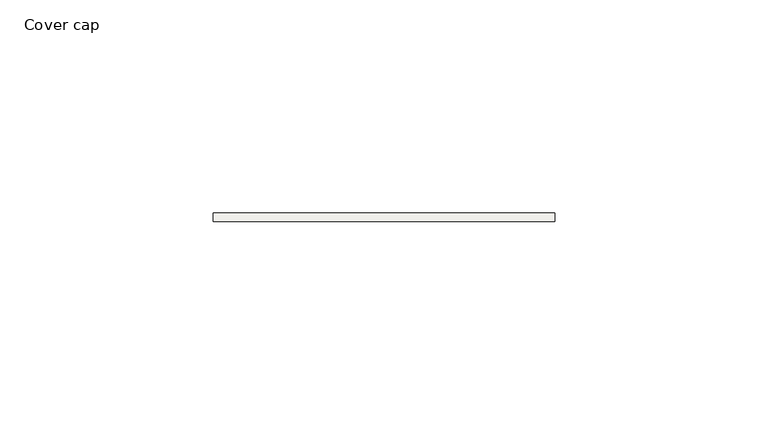
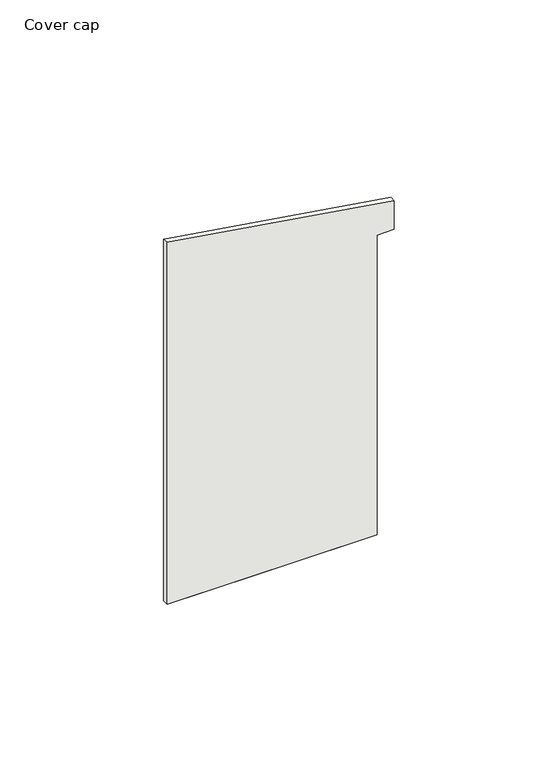
"""IFC4 building model written with IfcOpenShell, lengths in millimetres: covering geometry, Cover cap."""

from ifc_helpers import new_model, si_unit, frame, origin, place, context, project, spatial, polyline, outline, extrude, source, transform, mapped, element, save


def cover_cap_58d32bee(model_context):
    return source(origin(), model_context, "Body", "SweptSolid", [
        extrude(outline(polyline([(132.7051053, -7.0), (-2.0, -7.0), (-2.0, 67.0), (109.5, 67.0), (109.5, 73.0), (120.2855349, 73.0), (132.7051053, -7.0)])), frame((0.0, -2.0, 0.0), z_axis=(0.0, 1.0, 0.0), x_axis=(0.0, 0.0, 1.0)), (0.0, 0.0, 1.0), 2.0),
        extrude(outline(polyline([(67.0, 0.0), (67.0, -2.0), (0.0, -2.0), (0.0, 0.0), (67.0, 0.0)])), frame((0.0, 0.0, -2.0), z_axis=(0.0, 0.0, 1.0), x_axis=(1.0, 0.0, 0.0)), (0.0, 0.0, 1.0), 111.5),
    ])


if __name__ == "__main__":
    model = new_model("IFC4")
    model_context = context("Model", 3, world=origin())
    ifc_project = project(units=[si_unit("LENGTHUNIT", "METRE", prefix="MILLI")], contexts=[model_context])
    site = spatial("IfcSite", under=ifc_project)
    building = spatial("IfcBuilding", under=site)
    placement = place(None, origin())
    cover_cap_shape = cover_cap_58d32bee(model_context)
    element("IfcCovering", 1, ObjectType="Cover cap", at=placement, inside=building, context=model_context, shape_type="MappedRepresentation", body=[
        mapped(cover_cap_shape, transform((0.0, 0.0, 0.0), x_axis=(1.0, 0.0, 0.0), y_axis=(0.0, 1.0, 0.0), z_axis=(0.0, 0.0, 1.0))),
    ])
    save(model, "model.ifc")
